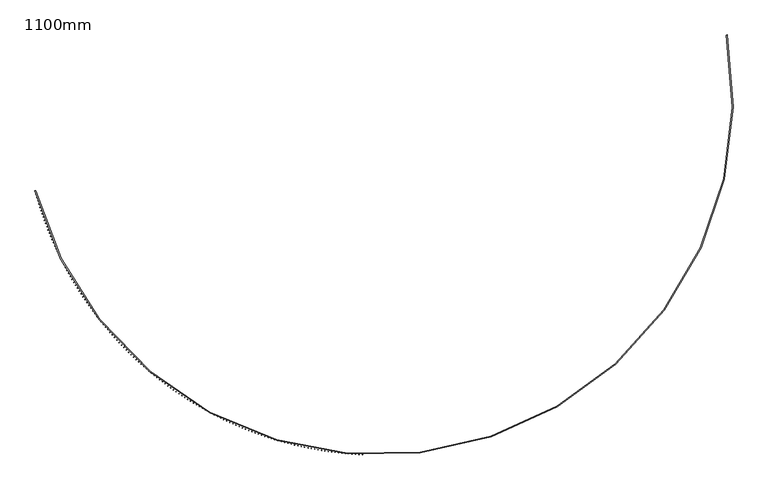
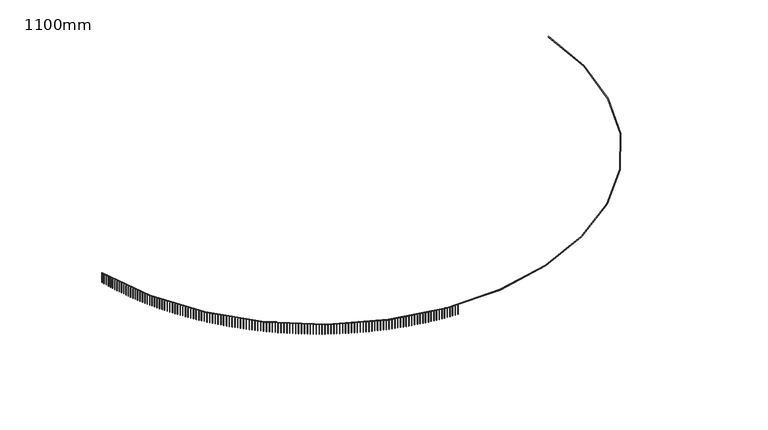
"""IFC4 building model written with IfcOpenShell, lengths in millimetres: railing geometry, 1100mm."""

from ifc_helpers import new_model, si_unit, point, frame, frame_2d, origin, place, context, project, spatial, polyline, circle_curve, trimmed, segment, composite_curve, outline, extrude, source, transform, mapped, element, save


def railing_1100mm_193ac002(model_context):
    return source(origin(), model_context, "Body", "SweptSolid", [
        extrude(outline(composite_curve([segment(trimmed(circle_curve(frame_2d((-9136.8690583, -54154.7608855)), 28388.8165606), [point((-36585.4829825, -61400.3457034))], [point((18767.7276518, -48933.8042532))], True, "CARTESIAN"), True, "CONTINUOUS"), segment(polyline([(18767.7276518, -48933.8042532), (18816.8748162, -48924.6088071)]), True, "CONTINUOUS"), segment(trimmed(circle_curve(frame_2d((-9136.8690583, -54154.7608855)), 28438.8165606), [point((18816.8748162, -48924.6088071))], [point((-36633.8270441, -61413.1070399))], False, "CARTESIAN"), True, "CONTINUOUS"), segment(polyline([(-36633.8270441, -61413.1070399), (-36585.4829825, -61400.3457034)]), True, "CONTINUOUS")], self_intersect=False)), frame((0.0, 0.0, 27650.0), z_axis=(0.0, 0.0, 1.0), x_axis=(1.0, 0.0, 0.0)), (0.0, 0.0, 1.0), 50.0),
        extrude(outline(polyline([(-36591.3081731, -61427.223434), (-36615.4775056, -61433.6143155), (-36621.8683871, -61409.444983), (-36597.6990545, -61403.0541015), (-36591.3081731, -61427.223434)])), frame((0.0, 0.0, 26600.0), z_axis=(0.0, 0.0, 1.0), x_axis=(1.0, 0.0, 0.0)), (0.0, 0.0, 1.0), 1050.0),
        extrude(outline(polyline([(-36519.6377071, -61692.593449), (-36543.7440551, -61699.2179477), (-36550.3685538, -61675.1115996), (-36526.2622058, -61668.4871009), (-36519.6377071, -61692.593449)])), frame((0.0, 0.0, 26600.0), z_axis=(0.0, 0.0, 1.0), x_axis=(1.0, 0.0, 0.0)), (0.0, 0.0, 1.0), 1050.0),
        extrude(outline(polyline([(-36445.4022833, -61957.2573914), (-36469.4433889, -61964.1148868), (-36476.3008843, -61940.0737813), (-36452.2597788, -61933.2162858), (-36445.4022833, -61957.2573914)])), frame((0.0, 0.0, 26600.0), z_axis=(0.0, 0.0, 1.0), x_axis=(1.0, 0.0, 0.0)), (0.0, 0.0, 1.0), 1050.0),
        extrude(outline(polyline([(-36368.6088556, -62221.19047), (-36392.5824667, -62228.2803198), (-36399.6723165, -62204.3067087), (-36375.6987054, -62197.2168589), (-36368.6088556, -62221.19047)])), frame((0.0, 0.0, 26600.0), z_axis=(0.0, 0.0, 1.0), x_axis=(1.0, 0.0, 0.0)), (0.0, 0.0, 1.0), 1050.0),
        extrude(outline(polyline([(-36289.264617, -62484.3679621), (-36313.1684881, -62491.6895022), (-36320.4900282, -62467.7856312), (-36296.5861571, -62460.4640911), (-36289.264617, -62484.3679621)])), frame((0.0, 0.0, 26600.0), z_axis=(0.0, 0.0, 1.0), x_axis=(1.0, 0.0, 0.0)), (0.0, 0.0, 1.0), 1050.0),
        extrude(outline(polyline([(-36207.3769999, -62746.7652157), (-36231.2088918, -62754.3177603), (-36238.7614364, -62730.4858684), (-36214.9295445, -62722.9333238), (-36207.3769999, -62746.7652157)])), frame((0.0, 0.0, 26600.0), z_axis=(0.0, 0.0, 1.0), x_axis=(1.0, 0.0, 0.0)), (0.0, 0.0, 1.0), 1050.0),
        extrude(outline(polyline([(-36122.9536747, -63008.357652), (-36146.7113551, -63016.1404936), (-36154.4941967, -62992.3828132), (-36130.7365163, -62984.5999716), (-36122.9536747, -63008.357652)])), frame((0.0, 0.0, 26600.0), z_axis=(0.0, 0.0, 1.0), x_axis=(1.0, 0.0, 0.0)), (0.0, 0.0, 1.0), 1050.0),
        extrude(outline(polyline([(-36036.0025494, -63269.1207673), (-36059.6837929, -63277.1331769), (-36067.6962025, -63253.4519335), (-36044.014959, -63245.4395239), (-36036.0025494, -63269.1207673)])), frame((0.0, 0.0, 26600.0), z_axis=(0.0, 0.0, 1.0), x_axis=(1.0, 0.0, 0.0)), (0.0, 0.0, 1.0), 1050.0),
        extrude(outline(polyline([(-35946.5317687, -63529.030136), (-35970.1343571, -63537.2713631), (-35978.3755841, -63513.6687748), (-35954.7729958, -63505.4275477), (-35946.5317687, -63529.030136)])), frame((0.0, 0.0, 26600.0), z_axis=(0.0, 0.0, 1.0), x_axis=(1.0, 0.0, 0.0)), (0.0, 0.0, 1.0), 1050.0),
        extrude(outline(polyline([(-35854.5497134, -63788.0614122), (-35878.0714358, -63796.5306848), (-35886.5407084, -63773.0089625), (-35863.018986, -63764.5396899), (-35854.5497134, -63788.0614122)])), frame((0.0, 0.0, 26600.0), z_axis=(0.0, 0.0, 1.0), x_axis=(1.0, 0.0, 0.0)), (0.0, 0.0, 1.0), 1050.0),
        extrude(outline(polyline([(-35760.0649996, -64046.1903323), (-35783.5036526, -64054.8868571), (-35792.2001774, -64031.448204), (-35768.7615243, -64022.7516793), (-35760.0649996, -64046.1903323)])), frame((0.0, 0.0, 26600.0), z_axis=(0.0, 0.0, 1.0), x_axis=(1.0, 0.0, 0.0)), (0.0, 0.0, 1.0), 1050.0),
        extrude(outline(polyline([(-35663.0864775, -64303.3927172), (-35686.4398658, -64312.3156796), (-35695.3628281, -64288.9622913), (-35672.0094399, -64280.039329), (-35663.0864775, -64303.3927172)])), frame((0.0, 0.0, 26600.0), z_axis=(0.0, 0.0, 1.0), x_axis=(1.0, 0.0, 0.0)), (0.0, 0.0, 1.0), 1050.0),
        extrude(outline(polyline([(-35563.6232314, -64559.6444747), (-35586.8891673, -64568.7930388), (-35596.0377314, -64545.5271029), (-35572.7717955, -64536.3785387), (-35563.6232314, -64559.6444747)])), frame((0.0, 0.0, 26600.0), z_axis=(0.0, 0.0, 1.0), x_axis=(1.0, 0.0, 0.0)), (0.0, 0.0, 1.0), 1050.0),
        extrude(outline(polyline([(-35461.6845778, -64814.9216014), (-35484.8608821, -64824.2949104), (-35494.234191, -64801.1186061), (-35471.0578868, -64791.7452972), (-35461.6845778, -64814.9216014)])), frame((0.0, 0.0, 26600.0), z_axis=(0.0, 0.0, 1.0), x_axis=(1.0, 0.0, 0.0)), (0.0, 0.0, 1.0), 1050.0),
        extrude(outline(polyline([(-35357.2800656, -65069.2001856), (-35380.3645673, -65078.7973613), (-35389.961743, -65055.7128597), (-35366.8772413, -65046.1156839), (-35357.2800656, -65069.2001856)])), frame((0.0, 0.0, 26600.0), z_axis=(0.0, 0.0, 1.0), x_axis=(1.0, 0.0, 0.0)), (0.0, 0.0, 1.0), 1050.0),
        extrude(outline(polyline([(-35250.4194743, -65322.4564087), (-35273.410011, -65332.2765523), (-35283.2301546, -65309.2860156), (-35260.2396179, -65299.465872), (-35250.4194743, -65322.4564087)])), frame((0.0, 0.0, 26600.0), z_axis=(0.0, 0.0, 1.0), x_axis=(1.0, 0.0, 0.0)), (0.0, 0.0, 1.0), 1050.0),
        extrude(outline(polyline([(-35141.1128135, -65574.6665482), (-35164.0072318, -65584.7087398), (-35174.0494234, -65561.8143215), (-35151.1550051, -65551.7721299), (-35141.1128135, -65574.6665482)])), frame((0.0, 0.0, 26600.0), z_axis=(0.0, 0.0, 1.0), x_axis=(1.0, 0.0, 0.0)), (0.0, 0.0, 1.0), 1050.0),
        extrude(outline(polyline([(-35029.3703222, -65825.8069794), (-35052.1664775, -65836.0702783), (-35062.4297764, -65813.274123), (-35039.6336211, -65803.0108241), (-35029.3703222, -65825.8069794)])), frame((0.0, 0.0, 26600.0), z_axis=(0.0, 0.0, 1.0), x_axis=(1.0, 0.0, 0.0)), (0.0, 0.0, 1.0), 1050.0),
        extrude(outline(polyline([(-34915.2024673, -66075.8541778), (-34937.8982242, -66086.3376226), (-34948.3816691, -66063.6418657), (-34925.6859121, -66053.1584208), (-34915.2024673, -66075.8541778)])), frame((0.0, 0.0, 26600.0), z_axis=(0.0, 0.0, 1.0), x_axis=(1.0, 0.0, 0.0)), (0.0, 0.0, 1.0), 1050.0),
        extrude(outline(polyline([(-34798.6199429, -66324.7847214), (-34821.2131756, -66335.4873302), (-34831.9157844, -66312.8940975), (-34809.3225517, -66302.1914887), (-34798.6199429, -66324.7847214)])), frame((0.0, 0.0, 26600.0), z_axis=(0.0, 0.0, 1.0), x_axis=(1.0, 0.0, 0.0)), (0.0, 0.0, 1.0), 1050.0),
        extrude(outline(polyline([(-34679.6336693, -66572.5752928), (-34702.1222615, -66583.496063), (-34713.0430317, -66561.0074709), (-34690.5544396, -66550.0867006), (-34679.6336693, -66572.5752928)])), frame((0.0, 0.0, 26600.0), z_axis=(0.0, 0.0, 1.0), x_axis=(1.0, 0.0, 0.0)), (0.0, 0.0, 1.0), 1050.0),
        extrude(outline(polyline([(-34558.2547922, -66819.2026812), (-34580.6366373, -66830.3405899), (-34591.774546, -66807.9587449), (-34569.3927009, -66796.8208361), (-34558.2547922, -66819.2026812)])), frame((0.0, 0.0, 26600.0), z_axis=(0.0, 0.0, 1.0), x_axis=(1.0, 0.0, 0.0)), (0.0, 0.0, 1.0), 1050.0),
        extrude(outline(polyline([(-34434.4946811, -67064.643785), (-34456.7676825, -67075.9977889), (-34468.1216865, -67053.7247874), (-34445.848685, -67042.3707835), (-34434.4946811, -67064.643785)])), frame((0.0, 0.0, 26600.0), z_axis=(0.0, 0.0, 1.0), x_axis=(1.0, 0.0, 0.0)), (0.0, 0.0, 1.0), 1050.0),
        extrude(outline(polyline([(-34308.3649286, -67308.8756136), (-34330.5270002, -67320.4446491), (-34342.0960358, -67298.2825776), (-34319.9339642, -67286.713542), (-34308.3649286, -67308.8756136)])), frame((0.0, 0.0, 26600.0), z_axis=(0.0, 0.0, 1.0), x_axis=(1.0, 0.0, 0.0)), (0.0, 0.0, 1.0), 1050.0),
        extrude(outline(polyline([(-34179.8773495, -67551.8752896), (-34201.9264152, -67563.6582732), (-34213.7093987, -67541.6092075), (-34191.6603331, -67529.8262239), (-34179.8773495, -67551.8752896)])), frame((0.0, 0.0, 26600.0), z_axis=(0.0, 0.0, 1.0), x_axis=(1.0, 0.0, 0.0)), (0.0, 0.0, 1.0), 1050.0),
        extrude(outline(polyline([(-34049.0439792, -67793.6200511), (-34070.9779736, -67805.615879), (-34082.9738015, -67783.6818845), (-34061.039807, -67771.6860567), (-34049.0439792, -67793.6200511)])), frame((0.0, 0.0, 26600.0), z_axis=(0.0, 0.0, 1.0), x_axis=(1.0, 0.0, 0.0)), (0.0, 0.0, 1.0), 1050.0),
        extrude(outline(polyline([(-33915.8770729, -68034.0872539), (-33937.6939416, -68046.2948024), (-33949.9014901, -68024.4779337), (-33928.0846213, -68012.2703852), (-33915.8770729, -68034.0872539)])), frame((0.0, 0.0, 26600.0), z_axis=(0.0, 0.0, 1.0), x_axis=(1.0, 0.0, 0.0)), (0.0, 0.0, 1.0), 1050.0),
        extrude(outline(polyline([(-33780.3891045, -68273.2543732), (-33802.0868038, -68285.6724988), (-33814.5049294, -68263.9747995), (-33792.80723, -68251.5566739), (-33780.3891045, -68273.2543732)])), frame((0.0, 0.0, 26600.0), z_axis=(0.0, 0.0, 1.0), x_axis=(1.0, 0.0, 0.0)), (0.0, 0.0, 1.0), 1050.0),
        extrude(outline(polyline([(-33642.5927651, -68511.0990061), (-33664.1692626, -68523.7265456), (-33676.7968021, -68502.1500481), (-33655.2203046, -68489.5225086), (-33642.5927651, -68511.0990061)])), frame((0.0, 0.0, 26600.0), z_axis=(0.0, 0.0, 1.0), x_axis=(1.0, 0.0, 0.0)), (0.0, 0.0, 1.0), 1050.0),
        extrude(outline(polyline([(-33502.5009623, -68747.5988736), (-33523.9542369, -68760.4346442), (-33536.7900075, -68738.9813695), (-33515.3367329, -68726.1455989), (-33502.5009623, -68747.5988736)])), frame((0.0, 0.0, 26600.0), z_axis=(0.0, 0.0, 1.0), x_axis=(1.0, 0.0, 0.0)), (0.0, 0.0, 1.0), 1050.0),
        extrude(outline(polyline([(-33360.1268185, -68982.7318226), (-33381.4548607, -68995.7746219), (-33394.49766, -68974.4465797), (-33373.1696178, -68961.4037804), (-33360.1268185, -68982.7318226)])), frame((0.0, 0.0, 26600.0), z_axis=(0.0, 0.0, 1.0), x_axis=(1.0, 0.0, 0.0)), (0.0, 0.0, 1.0), 1050.0),
        extrude(outline(polyline([(-33215.4836699, -69216.4758281), (-33236.6844819, -69229.7244345), (-33249.9330883, -69208.5236225), (-33228.7322763, -69195.2750161), (-33215.4836699, -69216.4758281)])), frame((0.0, 0.0, 26600.0), z_axis=(0.0, 0.0, 1.0), x_axis=(1.0, 0.0, 0.0)), (0.0, 0.0, 1.0), 1050.0),
        extrude(outline(polyline([(-33068.5850654, -69448.8089952), (-33089.6566613, -69462.2621676), (-33103.1098337, -69441.1905717), (-33082.0382378, -69427.7373993), (-33068.5850654, -69448.8089952)])), frame((0.0, 0.0, 26600.0), z_axis=(0.0, 0.0, 1.0), x_axis=(1.0, 0.0, 0.0)), (0.0, 0.0, 1.0), 1050.0),
        extrude(outline(polyline([(-32919.444765, -69679.7095611), (-32940.385171, -69693.3660394), (-32954.0416492, -69672.4256334), (-32933.1012433, -69658.7691552), (-32919.444765, -69679.7095611)])), frame((0.0, 0.0, 26600.0), z_axis=(0.0, 0.0, 1.0), x_axis=(1.0, 0.0, 0.0)), (0.0, 0.0, 1.0), 1050.0),
        extrude(outline(polyline([(-32768.0767388, -69909.1558973), (-32788.8839934, -69923.0144022), (-32802.7424983, -69902.2071476), (-32781.9352437, -69888.3486427), (-32768.0767388, -69909.1558973)])), frame((0.0, 0.0, 26600.0), z_axis=(0.0, 0.0, 1.0), x_axis=(1.0, 0.0, 0.0)), (0.0, 0.0, 1.0), 1050.0),
        extrude(outline(polyline([(-32614.4951655, -70137.1265113), (-32635.1673196, -70151.1857448), (-32649.226553, -70130.5135906), (-32628.5543989, -70116.4543572), (-32614.4951655, -70137.1265113)])), frame((0.0, 0.0, 26600.0), z_axis=(0.0, 0.0, 1.0), x_axis=(1.0, 0.0, 0.0)), (0.0, 0.0, 1.0), 1050.0),
        extrude(outline(polyline([(-32458.7144311, -70363.6000492), (-32479.2495484, -70377.8586942), (-32493.5081934, -70357.3235769), (-32472.9730761, -70343.0649319), (-32458.7144311, -70363.6000492)])), frame((0.0, 0.0, 26600.0), z_axis=(0.0, 0.0, 1.0), x_axis=(1.0, 0.0, 0.0)), (0.0, 0.0, 1.0), 1050.0),
        extrude(outline(polyline([(-32300.7491278, -70588.5552969), (-32321.1452847, -70603.0120178), (-32335.6020057, -70582.6158609), (-32315.2058487, -70568.1591399), (-32300.7491278, -70588.5552969)])), frame((0.0, 0.0, 26600.0), z_axis=(0.0, 0.0, 1.0), x_axis=(1.0, 0.0, 0.0)), (0.0, 0.0, 1.0), 1050.0),
        extrude(outline(polyline([(-32140.6140521, -70811.9711828), (-32160.8693382, -70826.6246255), (-32175.522781, -70806.3693394), (-32155.2674948, -70791.7158967), (-32140.6140521, -70811.9711828)])), frame((0.0, 0.0, 26600.0), z_axis=(0.0, 0.0, 1.0), x_axis=(1.0, 0.0, 0.0)), (0.0, 0.0, 1.0), 1050.0),
        extrude(outline(polyline([(-31978.3242041, -71033.8267794), (-31998.436722, -71048.6755714), (-32013.2855139, -71028.5630535), (-31993.172996, -71013.7142615), (-31978.3242041, -71033.8267794)])), frame((0.0, 0.0, 26600.0), z_axis=(0.0, 0.0, 1.0), x_axis=(1.0, 0.0, 0.0)), (0.0, 0.0, 1.0), 1050.0),
        extrude(outline(polyline([(-31813.8947854, -71254.1013055), (-31833.8626512, -71269.1440558), (-31848.9054015, -71249.17619), (-31828.9375357, -71234.1334397), (-31813.8947854, -71254.1013055)])), frame((0.0, 0.0, 26600.0), z_axis=(0.0, 0.0, 1.0), x_axis=(1.0, 0.0, 0.0)), (0.0, 0.0, 1.0), 1050.0),
        extrude(outline(polyline([(-31647.3411984, -71472.7741277), (-31667.1625417, -71488.0094272), (-31682.3978412, -71468.188084), (-31662.5764979, -71452.9527845), (-31647.3411984, -71472.7741277)])), frame((0.0, 0.0, 26600.0), z_axis=(0.0, 0.0, 1.0), x_axis=(1.0, 0.0, 0.0)), (0.0, 0.0, 1.0), 1050.0),
        extrude(outline(polyline([(-31478.6790441, -71689.8247629), (-31498.3520082, -71705.2511846), (-31513.7784298, -71685.5782205), (-31494.1054658, -71670.1517989), (-31478.6790441, -71689.8247629)])), frame((0.0, 0.0, 26600.0), z_axis=(0.0, 0.0, 1.0), x_axis=(1.0, 0.0, 0.0)), (0.0, 0.0, 1.0), 1050.0),
        extrude(outline(polyline([(-31307.9241212, -71905.2328799), (-31327.4468633, -71920.8489787), (-31343.0629621, -71901.3262366), (-31323.54022, -71885.7101378), (-31307.9241212, -71905.2328799)])), frame((0.0, 0.0, 26600.0), z_axis=(0.0, 0.0, 1.0), x_axis=(1.0, 0.0, 0.0)), (0.0, 0.0, 1.0), 1050.0),
        extrude(outline(polyline([(-31135.0924245, -72118.9783012), (-31154.4631159, -72134.7826144), (-31170.267429, -72115.411923), (-31150.8967377, -72099.6076098), (-31135.0924245, -72118.9783012)])), frame((0.0, 0.0, 26600.0), z_axis=(0.0, 0.0, 1.0), x_axis=(1.0, 0.0, 0.0)), (0.0, 0.0, 1.0), 1050.0),
        extrude(outline(polyline([(-30960.2001431, -72331.0410053), (-30979.4169693, -72347.0320524), (-30995.4080165, -72327.8152262), (-30976.1911902, -72311.824179), (-30960.2001431, -72331.0410053)])), frame((0.0, 0.0, 26600.0), z_axis=(0.0, 0.0, 1.0), x_axis=(1.0, 0.0, 0.0)), (0.0, 0.0, 1.0), 1050.0),
        extrude(outline(polyline([(-30783.2636593, -72541.401128), (-30802.3248203, -72557.5774112), (-30818.5011036, -72538.5162502), (-30799.4399425, -72522.339967), (-30783.2636593, -72541.401128)])), frame((0.0, 0.0, 26600.0), z_axis=(0.0, 0.0, 1.0), x_axis=(1.0, 0.0, 0.0)), (0.0, 0.0, 1.0), 1050.0),
        extrude(outline(polyline([(-30604.2995468, -72750.0389649), (-30623.2032571, -72766.398969), (-30639.5632613, -72747.4952586), (-30620.6595509, -72731.1352545), (-30604.2995468, -72750.0389649)])), frame((0.0, 0.0, 26600.0), z_axis=(0.0, 0.0, 1.0), x_axis=(1.0, 0.0, 0.0)), (0.0, 0.0, 1.0), 1050.0),
        extrude(outline(polyline([(-30423.3245693, -72956.9349727), (-30442.0690583, -72973.4771652), (-30458.6112508, -72954.7326762), (-30439.8667618, -72938.1904837), (-30423.3245693, -72956.9349727)])), frame((0.0, 0.0, 26600.0), z_axis=(0.0, 0.0, 1.0), x_axis=(1.0, 0.0, 0.0)), (0.0, 0.0, 1.0), 1050.0),
        extrude(outline(polyline([(-30240.3556788, -73162.0697714), (-30258.9391906, -73178.7926028), (-30275.662022, -73160.2090911), (-30257.0785102, -73143.4862597), (-30240.3556788, -73162.0697714)])), frame((0.0, 0.0, 26600.0), z_axis=(0.0, 0.0, 1.0), x_axis=(1.0, 0.0, 0.0)), (0.0, 0.0, 1.0), 1050.0),
        extrude(outline(polyline([(-30055.4100141, -73365.424146), (-30073.830808, -73382.3260498), (-30090.7327118, -73363.905256), (-30072.3119179, -73347.0033521), (-30055.4100141, -73365.424146)])), frame((0.0, 0.0, 26600.0), z_axis=(0.0, 0.0, 1.0), x_axis=(1.0, 0.0, 0.0)), (0.0, 0.0, 1.0), 1050.0),
        extrude(outline(polyline([(-29868.5048991, -73566.979048), (-29886.7612496, -73584.0584411), (-29903.8406427, -73565.8020907), (-29885.5842922, -73548.7226976), (-29868.5048991, -73566.979048)])), frame((0.0, 0.0, 26600.0), z_axis=(0.0, 0.0, 1.0), x_axis=(1.0, 0.0, 0.0)), (0.0, 0.0, 1.0), 1050.0),
        extrude(outline(polyline([(-29679.6578414, -73766.7155978), (-29697.7480384, -73783.9708803), (-29715.0033209, -73765.8806834), (-29696.9131239, -73748.6254009), (-29679.6578414, -73766.7155978)])), frame((0.0, 0.0, 26600.0), z_axis=(0.0, 0.0, 1.0), x_axis=(1.0, 0.0, 0.0)), (0.0, 0.0, 1.0), 1050.0),
        extrude(outline(polyline([(-29488.8865303, -73964.615086), (-29506.8088793, -73982.0446416), (-29524.2384349, -73964.1222926), (-29506.3160859, -73946.692737), (-29488.8865303, -73964.615086)])), frame((0.0, 0.0, 26600.0), z_axis=(0.0, 0.0, 1.0), x_axis=(1.0, 0.0, 0.0)), (0.0, 0.0, 1.0), 1050.0),
        extrude(outline(polyline([(-29296.2088356, -74160.6589751), (-29313.9616577, -74178.2611712), (-29331.5638537, -74160.508349), (-29313.8110316, -74142.906153), (-29296.2088356, -74160.6589751)])), frame((0.0, 0.0, 26600.0), z_axis=(0.0, 0.0, 1.0), x_axis=(1.0, 0.0, 0.0)), (0.0, 0.0, 1.0), 1050.0),
        extrude(outline(polyline([(-29101.6428053, -74354.8289017), (-29119.2244377, -74372.6020894), (-29136.9976254, -74355.020457), (-29119.415993, -74337.2472693), (-29101.6428053, -74354.8289017)])), frame((0.0, 0.0, 26600.0), z_axis=(0.0, 0.0, 1.0), x_axis=(1.0, 0.0, 0.0)), (0.0, 0.0, 1.0), 1050.0),
        extrude(outline(polyline([(-28905.2066646, -74547.1066778), (-28922.6154604, -74565.0491923), (-28940.5579749, -74547.6403965), (-28923.1491791, -74529.6978819), (-28905.2066646, -74547.1066778)])), frame((0.0, 0.0, 26600.0), z_axis=(0.0, 0.0, 1.0), x_axis=(1.0, 0.0, 0.0)), (0.0, 0.0, 1.0), 1050.0),
        extrude(outline(polyline([(-28706.9188137, -74737.4742925), (-28724.1531423, -74755.5844532), (-28742.263303, -74738.3501247), (-28725.0289744, -74720.239964), (-28706.9188137, -74737.4742925)])), frame((0.0, 0.0, 26600.0), z_axis=(0.0, 0.0, 1.0), x_axis=(1.0, 0.0, 0.0)), (0.0, 0.0, 1.0), 1050.0),
        extrude(outline(polyline([(-28506.7978265, -74925.9139142), (-28523.8560734, -74944.1900246), (-28542.1321838, -74927.1317777), (-28525.0739369, -74908.8556673), (-28506.7978265, -74925.9139142)])), frame((0.0, 0.0, 26600.0), z_axis=(0.0, 0.0, 1.0), x_axis=(1.0, 0.0, 0.0)), (0.0, 0.0, 1.0), 1050.0),
        extrude(outline(polyline([(-28304.8624483, -75112.4078915), (-28321.7430157, -75130.8482397), (-28340.183364, -75113.9676723), (-28323.3027966, -75095.5273241), (-28304.8624483, -75112.4078915)])), frame((0.0, 0.0, 26600.0), z_axis=(0.0, 0.0, 1.0), x_axis=(1.0, 0.0, 0.0)), (0.0, 0.0, 1.0), 1050.0),
        extrude(outline(polyline([(-28101.1315945, -75296.9387554), (-28117.8329012, -75315.5416142), (-28136.43576, -75298.8403075), (-28119.7344533, -75280.2374487), (-28101.1315945, -75296.9387554)])), frame((0.0, 0.0, 26600.0), z_axis=(0.0, 0.0, 1.0), x_axis=(1.0, 0.0, 0.0)), (0.0, 0.0, 1.0), 1050.0),
        extrude(outline(polyline([(-27895.6243487, -75479.489221), (-27912.1448303, -75498.2528477), (-27930.908457, -75481.7323661), (-27914.3879754, -75462.9687394), (-27895.6243487, -75479.489221)])), frame((0.0, 0.0, 26600.0), z_axis=(0.0, 0.0, 1.0), x_axis=(1.0, 0.0, 0.0)), (0.0, 0.0, 1.0), 1050.0),
        extrude(outline(polyline([(-27688.3599609, -75660.0421884), (-27704.6980699, -75678.9648255), (-27723.6207069, -75662.6267165), (-27707.282598, -75643.7040795), (-27688.3599609, -75660.0421884)])), frame((0.0, 0.0, 26600.0), z_axis=(0.0, 0.0, 1.0), x_axis=(1.0, 0.0, 0.0)), (0.0, 0.0, 1.0), 1050.0),
        extrude(outline(polyline([(-27479.3578455, -75838.5807454), (-27495.5120515, -75857.6606204), (-27514.5919265, -75841.5064144), (-27498.4377205, -75822.4265394), (-27479.3578455, -75838.5807454)])), frame((0.0, 0.0, 26600.0), z_axis=(0.0, 0.0, 1.0), x_axis=(1.0, 0.0, 0.0)), (0.0, 0.0, 1.0), 1050.0),
        extrude(outline(polyline([(-27268.63758, -76015.0881681), (-27284.6063699, -76034.3234937), (-27303.8416955, -76018.3547039), (-27287.8729057, -75999.1193782), (-27268.63758, -76015.0881681)])), frame((0.0, 0.0, 26600.0), z_axis=(0.0, 0.0, 1.0), x_axis=(1.0, 0.0, 0.0)), (0.0, 0.0, 1.0), 1050.0),
        extrude(outline(polyline([(-27056.2189027, -76189.5479229), (-27072.0007805, -76208.9368974), (-27091.389755, -76193.1550195), (-27075.6078772, -76173.766045), (-27056.2189027, -76189.5479229)])), frame((0.0, 0.0, 26600.0), z_axis=(0.0, 0.0, 1.0), x_axis=(1.0, 0.0, 0.0)), (0.0, 0.0, 1.0), 1050.0),
        extrude(outline(polyline([(-26842.1217108, -76361.9436681), (-26857.7151983, -76381.4844753), (-26877.2560055, -76365.8909877), (-26861.662518, -76346.3501805), (-26842.1217108, -76361.9436681)])), frame((0.0, 0.0, 26600.0), z_axis=(0.0, 0.0, 1.0), x_axis=(1.0, 0.0, 0.0)), (0.0, 0.0, 1.0), 1050.0),
        extrude(outline(polyline([(-26626.366059, -76532.2592553), (-26641.7696956, -76551.9500648), (-26661.4605051, -76536.5464281), (-26646.0568685, -76516.8556187), (-26626.366059, -76532.2592553)])), frame((0.0, 0.0, 26600.0), z_axis=(0.0, 0.0, 1.0), x_axis=(1.0, 0.0, 0.0)), (0.0, 0.0, 1.0), 1050.0),
        extrude(outline(polyline([(-26408.9721572, -76700.478731), (-26424.1845, -76720.3176983), (-26444.0234674, -76705.1053555), (-26428.8111245, -76685.2663881), (-26408.9721572, -76700.478731)])), frame((0.0, 0.0, 26600.0), z_axis=(0.0, 0.0, 1.0), x_axis=(1.0, 0.0, 0.0)), (0.0, 0.0, 1.0), 1050.0),
        extrude(outline(polyline([(-26189.9603688, -76866.5863379), (-26204.9799929, -76886.5716048), (-26224.9652598, -76871.5519807), (-26209.9456357, -76851.5667138), (-26189.9603688, -76866.5863379)])), frame((0.0, 0.0, 26600.0), z_axis=(0.0, 0.0, 1.0), x_axis=(1.0, 0.0, 0.0)), (0.0, 0.0, 1.0), 1050.0),
        extrude(outline(polyline([(-25969.3512088, -77030.5665168), (-25984.1767073, -77050.6962111), (-26004.3064016, -77035.8707127), (-25989.4809032, -77015.7410183), (-25969.3512088, -77030.5665168)])), frame((0.0, 0.0, 26600.0), z_axis=(0.0, 0.0, 1.0), x_axis=(1.0, 0.0, 0.0)), (0.0, 0.0, 1.0), 1050.0),
        extrude(outline(polyline([(-25747.1653417, -77192.4039074), (-25761.7953258, -77212.6761437), (-25782.0675621, -77198.0461596), (-25767.437578, -77177.7739233), (-25747.1653417, -77192.4039074)])), frame((0.0, 0.0, 26600.0), z_axis=(0.0, 0.0, 1.0), x_axis=(1.0, 0.0, 0.0)), (0.0, 0.0, 1.0), 1050.0),
        extrude(outline(polyline([(-25523.4235798, -77352.0833504), (-25537.8566792, -77372.4962297), (-25558.2695585, -77358.0631304), (-25543.8364591, -77337.650251), (-25523.4235798, -77352.0833504)])), frame((0.0, 0.0, 26600.0), z_axis=(0.0, 0.0, 1.0), x_axis=(1.0, 0.0, 0.0)), (0.0, 0.0, 1.0), 1050.0),
        extrude(outline(polyline([(-25298.1468811, -77509.5898885), (-25312.3817438, -77530.1414988), (-25332.933354, -77515.9066362), (-25318.6984914, -77495.3550259), (-25298.1468811, -77509.5898885)])), frame((0.0, 0.0, 26600.0), z_axis=(0.0, 0.0, 1.0), x_axis=(1.0, 0.0, 0.0)), (0.0, 0.0, 1.0), 1050.0),
        extrude(outline(polyline([(-25071.3563474, -77664.9087681), (-25085.3916399, -77685.5971842), (-25106.0800561, -77671.5618917), (-25092.0447635, -77650.8734755), (-25071.3563474, -77664.9087681)])), frame((0.0, 0.0, 26600.0), z_axis=(0.0, 0.0, 1.0), x_axis=(1.0, 0.0, 0.0)), (0.0, 0.0, 1.0), 1050.0),
        extrude(outline(polyline([(-24843.0732222, -77818.0254403), (-24856.90763, -77838.8487244), (-24877.7309141, -77825.0143166), (-24863.8965063, -77804.1910325), (-24843.0732222, -77818.0254403)])), frame((0.0, 0.0, 26600.0), z_axis=(0.0, 0.0, 1.0), x_axis=(1.0, 0.0, 0.0)), (0.0, 0.0, 1.0), 1050.0),
        extrude(outline(polyline([(-24613.318889, -77968.9255625), (-24626.9511161, -77989.8817641), (-24647.9073176, -77976.249537), (-24634.2750905, -77955.2933354), (-24613.318889, -77968.9255625)])), frame((0.0, 0.0, 26600.0), z_axis=(0.0, 0.0, 1.0), x_axis=(1.0, 0.0, 0.0)), (0.0, 0.0, 1.0), 1050.0),
        extrude(outline(polyline([(-24382.1148689, -78117.595), (-24395.5436384, -78138.6821561), (-24416.6307944, -78125.2533865), (-24403.2020249, -78104.1662305), (-24382.1148689, -78117.595)])), frame((0.0, 0.0, 26600.0), z_axis=(0.0, 0.0, 1.0), x_axis=(1.0, 0.0, 0.0)), (0.0, 0.0, 1.0), 1050.0),
        extrude(outline(polyline([(-24149.482819, -78264.0198268), (-24162.7068731, -78285.235962), (-24183.9230083, -78272.011908), (-24170.6989542, -78250.7957727), (-24149.482819, -78264.0198268)])), frame((0.0, 0.0, 26600.0), z_axis=(0.0, 0.0, 1.0), x_axis=(1.0, 0.0, 0.0)), (0.0, 0.0, 1.0), 1050.0),
        extrude(outline(polyline([(-23915.44453, -78408.1863272), (-23928.4626299, -78429.5294543), (-23949.805757, -78416.5113544), (-23936.7876571, -78395.1682273), (-23915.44453, -78408.1863272)])), frame((0.0, 0.0, 26600.0), z_axis=(0.0, 0.0, 1.0), x_axis=(1.0, 0.0, 0.0)), (0.0, 0.0, 1.0), 1050.0),
        extrude(outline(polyline([(-23680.0219244, -78550.0809969), (-23692.8328507, -78571.5491167), (-23714.3009705, -78558.7381904), (-23701.4900442, -78537.2700706), (-23680.0219244, -78550.0809969)])), frame((0.0, 0.0, 26600.0), z_axis=(0.0, 0.0, 1.0), x_axis=(1.0, 0.0, 0.0)), (0.0, 0.0, 1.0), 1050.0),
        extrude(outline(polyline([(-23443.2370544, -78689.6905448), (-23455.8396071, -78711.2816463), (-23477.4307086, -78698.6790937), (-23464.8281559, -78677.0879921), (-23443.2370544, -78689.6905448)])), frame((0.0, 0.0, 26600.0), z_axis=(0.0, 0.0, 1.0), x_axis=(1.0, 0.0, 0.0)), (0.0, 0.0, 1.0), 1050.0),
        extrude(outline(polyline([(-23205.1120996, -78827.0018935), (-23217.5050983, -78848.7139543), (-23239.2171591, -78836.3209557), (-23226.8241605, -78814.6088949), (-23205.1120996, -78827.0018935)])), frame((0.0, 0.0, 26600.0), z_axis=(0.0, 0.0, 1.0), x_axis=(1.0, 0.0, 0.0)), (0.0, 0.0, 1.0), 1050.0),
        extrude(outline(polyline([(-22965.6693655, -78962.0021809), (-22977.8516492, -78983.8331673), (-22999.6826355, -78971.6508836), (-22987.5003518, -78949.8198973), (-22965.6693655, -78962.0021809)])), frame((0.0, 0.0, 26600.0), z_axis=(0.0, 0.0, 1.0), x_axis=(1.0, 0.0, 0.0)), (0.0, 0.0, 1.0), 1050.0),
        extrude(outline(polyline([(-22724.9312807, -79094.6787616), (-22736.9017083, -79116.6266285), (-22758.8495752, -79104.6562009), (-22746.8791476, -79082.708334), (-22724.9312807, -79094.6787616)])), frame((0.0, 0.0, 26600.0), z_axis=(0.0, 0.0, 1.0), x_axis=(1.0, 0.0, 0.0)), (0.0, 0.0, 1.0), 1050.0),
        extrude(outline(polyline([(-22482.9203953, -79225.0192076), (-22494.6778455, -79247.0818993), (-22516.7405372, -79235.324449), (-22504.9830869, -79213.2617573), (-22482.9203953, -79225.0192076)])), frame((0.0, 0.0, 26600.0), z_axis=(0.0, 0.0, 1.0), x_axis=(1.0, 0.0, 0.0)), (0.0, 0.0, 1.0), 1050.0),
        extrude(outline(polyline([(-22239.6593785, -79353.0113099), (-22251.2027501, -79375.1867597), (-22273.3781998, -79363.6433881), (-22261.8348282, -79341.4679383), (-22239.6593785, -79353.0113099)])), frame((0.0, 0.0, 26600.0), z_axis=(0.0, 0.0, 1.0), x_axis=(1.0, 0.0, 0.0)), (0.0, 0.0, 1.0), 1050.0),
        extrude(outline(polyline([(-21995.1710167, -79478.6430794), (-22006.4992284, -79500.9292101), (-22028.7853591, -79489.6009984), (-22017.4571474, -79467.3148678), (-21995.1710167, -79478.6430794)])), frame((0.0, 0.0, 26600.0), z_axis=(0.0, 0.0, 1.0), x_axis=(1.0, 0.0, 0.0)), (0.0, 0.0, 1.0), 1050.0),
        extrude(outline(polyline([(-21749.4782114, -79601.9027482), (-21760.590202, -79624.2974722), (-21782.984926, -79613.1854816), (-21771.8729354, -79590.7907575), (-21749.4782114, -79601.9027482)])), frame((0.0, 0.0, 26600.0), z_axis=(0.0, 0.0, 1.0), x_axis=(1.0, 0.0, 0.0)), (0.0, 0.0, 1.0), 1050.0),
        extrude(outline(polyline([(-21502.6039766, -79722.7787703), (-21513.4987053, -79745.27999), (-21535.9999249, -79734.3852613), (-21525.1051963, -79711.8840416), (-21502.6039766, -79722.7787703)])), frame((0.0, 0.0, 26600.0), z_axis=(0.0, 0.0, 1.0), x_axis=(1.0, 0.0, 0.0)), (0.0, 0.0, 1.0), 1050.0),
        extrude(outline(polyline([(-21254.5714372, -79841.2598233), (-21265.2478834, -79863.8654309), (-21287.853491, -79853.1889847), (-21277.1770448, -79830.5833771), (-21254.5714372, -79841.2598233)])), frame((0.0, 0.0, 26600.0), z_axis=(0.0, 0.0, 1.0), x_axis=(1.0, 0.0, 0.0)), (0.0, 0.0, 1.0), 1050.0),
        extrude(outline(polyline([(-21005.4038265, -79957.3348091), (-21015.8609902, -79980.0426872), (-21038.5688683, -79969.5855234), (-21028.1117045, -79946.8776454), (-21005.4038265, -79957.3348091)])), frame((0.0, 0.0, 26600.0), z_axis=(0.0, 0.0, 1.0), x_axis=(1.0, 0.0, 0.0)), (0.0, 0.0, 1.0), 1050.0),
        extrude(outline(polyline([(-20755.1244842, -80070.9928548), (-20765.3613859, -80093.8008763), (-20788.1694073, -80083.5639745), (-20777.9325056, -80060.7559531), (-20755.1244842, -80070.9928548)])), frame((0.0, 0.0, 26600.0), z_axis=(0.0, 0.0, 1.0), x_axis=(1.0, 0.0, 0.0)), (0.0, 0.0, 1.0), 1050.0),
        extrude(outline(polyline([(-20503.756854, -80182.223314), (-20513.7725348, -80205.1293424), (-20536.6785632, -80195.1136616), (-20526.6628824, -80172.2076332), (-20503.756854, -80182.223314)])), frame((0.0, 0.0, 26600.0), z_axis=(0.0, 0.0, 1.0), x_axis=(1.0, 0.0, 0.0)), (0.0, 0.0, 1.0), 1050.0),
        extrude(outline(polyline([(-20251.3244818, -80291.0157677), (-20261.1180034, -80314.0176574), (-20284.1198932, -80304.2241358), (-20274.3263715, -80281.222246), (-20251.3244818, -80291.0157677)])), frame((0.0, 0.0, 26600.0), z_axis=(0.0, 0.0, 1.0), x_axis=(1.0, 0.0, 0.0)), (0.0, 0.0, 1.0), 1050.0),
        extrude(outline(polyline([(-19997.8510129, -80397.3600252), (-20007.4214581, -80420.4556217), (-20030.5170546, -80410.8851765), (-20020.9466094, -80387.78958), (-19997.8510129, -80397.3600252)])), frame((0.0, 0.0, 26600.0), z_axis=(0.0, 0.0, 1.0), x_axis=(1.0, 0.0, 0.0)), (0.0, 0.0, 1.0), 1050.0),
        extrude(outline(polyline([(-19743.3601904, -80501.2461253), (-19752.7066626, -80524.4332652), (-19775.8938025, -80515.0867929), (-19766.5473303, -80491.899653), (-19743.3601904, -80501.2461253)])), frame((0.0, 0.0, 26600.0), z_axis=(0.0, 0.0, 1.0), x_axis=(1.0, 0.0, 0.0)), (0.0, 0.0, 1.0), 1050.0),
        extrude(outline(polyline([(-19487.8758525, -80602.6643369), (-19496.9974763, -80625.9408482), (-19520.2739876, -80616.8192243), (-19511.1523638, -80593.542713), (-19487.8758525, -80602.6643369)])), frame((0.0, 0.0, 26600.0), z_axis=(0.0, 0.0, 1.0), x_axis=(1.0, 0.0, 0.0)), (0.0, 0.0, 1.0), 1050.0),
        extrude(outline(polyline([(-19231.4219306, -80701.60516), (-19240.3178516, -80724.9688624), (-19263.681554, -80716.0729414), (-19254.785633, -80692.709239), (-19231.4219306, -80701.60516)])), frame((0.0, 0.0, 26600.0), z_axis=(0.0, 0.0, 1.0), x_axis=(1.0, 0.0, 0.0)), (0.0, 0.0, 1.0), 1050.0),
        extrude(outline(polyline([(-18974.0224469, -80798.0593269), (-18982.6918317, -80821.5080319), (-19006.1405367, -80812.838647), (-18997.4711519, -80789.389942), (-18974.0224469, -80798.0593269)])), frame((0.0, 0.0, 26600.0), z_axis=(0.0, 0.0, 1.0), x_axis=(1.0, 0.0, 0.0)), (0.0, 0.0, 1.0), 1050.0),
        extrude(outline(polyline([(-18715.701512, -80892.0178026), (-18724.1435487, -80915.5493137), (-18747.6750598, -80907.1072771), (-18739.2330232, -80883.5757659), (-18715.701512, -80892.0178026)])), frame((0.0, 0.0, 26600.0), z_axis=(0.0, 0.0, 1.0), x_axis=(1.0, 0.0, 0.0)), (0.0, 0.0, 1.0), 1050.0),
        extrude(outline(polyline([(-18456.4833231, -80983.471786), (-18464.6972208, -81007.0838991), (-18488.3093339, -80998.8700014), (-18480.0954362, -80975.2578883), (-18456.4833231, -80983.471786)])), frame((0.0, 0.0, 26600.0), z_axis=(0.0, 0.0, 1.0), x_axis=(1.0, 0.0, 0.0)), (0.0, 0.0, 1.0), 1050.0),
        extrude(outline(polyline([(-18196.3921612, -81072.4127105), (-18204.3771505, -81096.1032138), (-18228.0676538, -81088.1182245), (-18220.0826645, -81064.4277212), (-18196.3921612, -81072.4127105)])), frame((0.0, 0.0, 26600.0), z_axis=(0.0, 0.0, 1.0), x_axis=(1.0, 0.0, 0.0)), (0.0, 0.0, 1.0), 1050.0),
        extrude(outline(polyline([(-17935.4523893, -81158.8322451), (-17943.2077223, -81182.5989194), (-17966.9743966, -81174.8435865), (-17959.2190637, -81151.0769121), (-17935.4523893, -81158.8322451)])), frame((0.0, 0.0, 26600.0), z_axis=(0.0, 0.0, 1.0), x_axis=(1.0, 0.0, 0.0)), (0.0, 0.0, 1.0), 1050.0),
        extrude(outline(polyline([(-17673.6884496, -81242.7222947), (-17681.2133998, -81266.5629139), (-17705.054019, -81259.0379637), (-17697.5290688, -81235.1973445), (-17673.6884496, -81242.7222947)])), frame((0.0, 0.0, 26600.0), z_axis=(0.0, 0.0, 1.0), x_axis=(1.0, 0.0, 0.0)), (0.0, 0.0, 1.0), 1050.0),
        extrude(outline(polyline([(-17411.1248618, -81324.0750013), (-17418.4187243, -81347.9873322), (-17442.3310552, -81340.6934697), (-17435.0371927, -81316.7811388), (-17411.1248618, -81324.0750013)])), frame((0.0, 0.0, 26600.0), z_axis=(0.0, 0.0, 1.0), x_axis=(1.0, 0.0, 0.0)), (0.0, 0.0, 1.0), 1050.0),
        extrude(outline(polyline([(-17147.7862202, -81402.8827446), (-17154.8483119, -81426.8645473), (-17178.8301146, -81419.8024557), (-17171.7680229, -81395.820653), (-17147.7862202, -81402.8827446)])), frame((0.0, 0.0, 26600.0), z_axis=(0.0, 0.0, 1.0), x_axis=(1.0, 0.0, 0.0)), (0.0, 0.0, 1.0), 1050.0),
        extrude(outline(polyline([(-16883.697192, -81479.1381427), (-16890.5268514, -81503.1871708), (-16914.5758795, -81496.3575115), (-16907.7462202, -81472.3084834), (-16883.697192, -81479.1381427)])), frame((0.0, 0.0, 26600.0), z_axis=(0.0, 0.0, 1.0), x_axis=(1.0, 0.0, 0.0)), (0.0, 0.0, 1.0), 1050.0),
        extrude(outline(polyline([(-16618.8825146, -81552.8340525), (-16625.4791018, -81576.9480534), (-16649.5931026, -81570.3514662), (-16642.9965154, -81546.2374653), (-16618.8825146, -81552.8340525)])), frame((0.0, 0.0, 26600.0), z_axis=(0.0, 0.0, 1.0), x_axis=(1.0, 0.0, 0.0)), (0.0, 0.0, 1.0), 1050.0),
        extrude(outline(polyline([(-16353.3669931, -81623.9635711), (-16359.7298903, -81648.1402859), (-16383.9066051, -81641.7773887), (-16377.5437079, -81617.6006739), (-16353.3669931, -81623.9635711)])), frame((0.0, 0.0, 26600.0), z_axis=(0.0, 0.0, 1.0), x_axis=(1.0, 0.0, 0.0)), (0.0, 0.0, 1.0), 1050.0),
        extrude(outline(polyline([(-16087.1754987, -81692.5200356), (-16093.3041099, -81716.7571998), (-16117.541274, -81710.6285886), (-16111.4126628, -81686.3914245), (-16087.1754987, -81692.5200356)])), frame((0.0, 0.0, 26600.0), z_axis=(0.0, 0.0, 1.0), x_axis=(1.0, 0.0, 0.0)), (0.0, 0.0, 1.0), 1050.0),
        extrude(outline(polyline([(-15820.3329656, -81758.4970244), (-15826.2267166, -81782.7923675), (-15850.5220598, -81776.8986165), (-15844.6283087, -81752.6032733), (-15820.3329656, -81758.4970244)])), frame((0.0, 0.0, 26600.0), z_axis=(0.0, 0.0, 1.0), x_axis=(1.0, 0.0, 0.0)), (0.0, 0.0, 1.0), 1050.0),
        extrude(outline(polyline([(-15552.864389, -81821.8883573), (-15558.5227279, -81846.2396037), (-15582.8739743, -81840.5812648), (-15577.2156354, -81816.2300184), (-15552.864389, -81821.8883573)])), frame((0.0, 0.0, 26600.0), z_axis=(0.0, 0.0, 1.0), x_axis=(1.0, 0.0, 0.0)), (0.0, 0.0, 1.0), 1050.0),
        extrude(outline(polyline([(-15284.7948229, -81882.6880965), (-15290.2172196, -81907.0929652), (-15314.6220883, -81901.6705685), (-15309.1996916, -81877.2656998), (-15284.7948229, -81882.6880965)])), frame((0.0, 0.0, 26600.0), z_axis=(0.0, 0.0, 1.0), x_axis=(1.0, 0.0, 0.0)), (0.0, 0.0, 1.0), 1050.0),
        extrude(outline(polyline([(-15016.1493776, -81940.8905468), (-15021.3353241, -81965.3467517), (-15045.791529, -81960.1608051), (-15040.6055825, -81935.7046002), (-15016.1493776, -81940.8905468)])), frame((0.0, 0.0, 26600.0), z_axis=(0.0, 0.0, 1.0), x_axis=(1.0, 0.0, 0.0)), (0.0, 0.0, 1.0), 1050.0),
        extrude(outline(polyline([(-14746.953217, -81996.4902563), (-14751.9022277, -82020.9955066), (-14776.4074781, -82016.0464959), (-14771.4584674, -81991.5412456), (-14746.953217, -81996.4902563)])), frame((0.0, 0.0, 26600.0), z_axis=(0.0, 0.0, 1.0), x_axis=(1.0, 0.0, 0.0)), (0.0, 0.0, 1.0), 1050.0),
        extrude(outline(polyline([(-14477.2315571, -82049.482017), (-14481.9431684, -82074.0340174), (-14506.4951687, -82069.3224061), (-14501.7835574, -82044.7704058), (-14477.2315571, -82049.482017)])), frame((0.0, 0.0, 26600.0), z_axis=(0.0, 0.0, 1.0), x_axis=(1.0, 0.0, 0.0)), (0.0, 0.0, 1.0), 1050.0),
        extrude(outline(polyline([(-14207.0096627, -82099.8608652), (-14211.4834332, -82124.4573157), (-14236.0798837, -82119.9835453), (-14231.6061133, -82095.3870948), (-14207.0096627, -82099.8608652)])), frame((0.0, 0.0, 26600.0), z_axis=(0.0, 0.0, 1.0), x_axis=(1.0, 0.0, 0.0)), (0.0, 0.0, 1.0), 1050.0),
        extrude(outline(polyline([(-13936.3128458, -82147.6220818), (-13940.5483564, -82172.2606786), (-13965.1869531, -82168.025168), (-13960.9514425, -82143.3865712), (-13936.3128458, -82147.6220818)])), frame((0.0, 0.0, 26600.0), z_axis=(0.0, 0.0, 1.0), x_axis=(1.0, 0.0, 0.0)), (0.0, 0.0, 1.0), 1050.0),
        extrude(outline(polyline([(-13665.1664625, -82192.761193), (-13669.1633165, -82217.4396281), (-13693.8417515, -82213.4427741), (-13689.8448975, -82188.764339), (-13665.1664625, -82192.761193)])), frame((0.0, 0.0, 26600.0), z_axis=(0.0, 0.0, 1.0), x_axis=(1.0, 0.0, 0.0)), (0.0, 0.0, 1.0), 1050.0),
        extrude(outline(polyline([(-13393.5959113, -82235.2739706), (-13397.3537343, -82259.9899324), (-13422.069696, -82256.2321094), (-13418.311873, -82231.5161476), (-13393.5959113, -82235.2739706)])), frame((0.0, 0.0, 26600.0), z_axis=(0.0, 0.0, 1.0), x_axis=(1.0, 0.0, 0.0)), (0.0, 0.0, 1.0), 1050.0),
        extrude(outline(polyline([(-13121.6266303, -82275.1564325), (-13125.1450703, -82299.9076058), (-13149.8962436, -82296.3891657), (-13146.3778036, -82271.6379924), (-13121.6266303, -82275.1564325)])), frame((0.0, 0.0, 26600.0), z_axis=(0.0, 0.0, 1.0), x_axis=(1.0, 0.0, 0.0)), (0.0, 0.0, 1.0), 1050.0),
        extrude(outline(polyline([(-12849.2840951, -82312.4048427), (-12852.5628226, -82337.1889091), (-12877.346889, -82333.9101816), (-12874.0681615, -82309.1261152), (-12849.2840951, -82312.4048427)])), frame((0.0, 0.0, 26600.0), z_axis=(0.0, 0.0, 1.0), x_axis=(1.0, 0.0, 0.0)), (0.0, 0.0, 1.0), 1050.0),
        extrude(outline(polyline([(-12576.5938162, -82347.0157122), (-12579.6325239, -82371.8303502), (-12604.4471619, -82368.7916424), (-12601.4084541, -82343.9770044), (-12576.5938162, -82347.0157122)])), frame((0.0, 0.0, 26600.0), z_axis=(0.0, 0.0, 1.0), x_axis=(1.0, 0.0, 0.0)), (0.0, 0.0, 1.0), 1050.0),
        extrude(outline(polyline([(-12303.5813364, -82378.9857991), (-12306.3797399, -82403.8286841), (-12331.222625, -82401.0302807), (-12328.4242215, -82376.1873956), (-12303.5813364, -82378.9857991)])), frame((0.0, 0.0, 26600.0), z_axis=(0.0, 0.0, 1.0), x_axis=(1.0, 0.0, 0.0)), (0.0, 0.0, 1.0), 1050.0),
        extrude(outline(polyline([(-12030.2722292, -82408.3121086), (-12032.8300662, -82433.1809137), (-12057.6988714, -82430.6230767), (-12055.1410343, -82405.7542716), (-12030.2722292, -82408.3121086)])), frame((0.0, 0.0, 26600.0), z_axis=(0.0, 0.0, 1.0), x_axis=(1.0, 0.0, 0.0)), (0.0, 0.0, 1.0), 1050.0),
        extrude(outline(polyline([(-11756.6920954, -82434.9918937), (-11759.0091264, -82459.8842895), (-11783.9015222, -82457.5672585), (-11781.5844912, -82432.6748627), (-11756.6920954, -82434.9918937)])), frame((0.0, 0.0, 26600.0), z_axis=(0.0, 0.0, 1.0), x_axis=(1.0, 0.0, 0.0)), (0.0, 0.0, 1.0), 1050.0),
        extrude(outline(polyline([(-11482.8665615, -82459.0226554), (-11484.9425694, -82483.9363101), (-11509.8562241, -82481.8603022), (-11507.7802162, -82456.9466475), (-11482.8665615, -82459.0226554)])), frame((0.0, 0.0, 26600.0), z_axis=(0.0, 0.0, 1.0), x_axis=(1.0, 0.0, 0.0)), (0.0, 0.0, 1.0), 1050.0),
        extrude(outline(polyline([(-11208.8212768, -82480.4021427), (-11210.6560672, -82505.3347226), (-11235.5886471, -82503.4999322), (-11233.7538567, -82478.5673523), (-11208.8212768, -82480.4021427)])), frame((0.0, 0.0, 26600.0), z_axis=(0.0, 0.0, 1.0), x_axis=(1.0, 0.0, 0.0)), (0.0, 0.0, 1.0), 1050.0),
        extrude(outline(polyline([(-10934.5819113, -82499.1283528), (-10936.1753123, -82524.0775226), (-10961.1244821, -82522.4841216), (-10959.5310811, -82497.5349518), (-10934.5819113, -82499.1283528)])), frame((0.0, 0.0, 26600.0), z_axis=(0.0, 0.0, 1.0), x_axis=(1.0, 0.0, 0.0)), (0.0, 0.0, 1.0), 1050.0),
        extrude(outline(polyline([(-10660.1741531, -82515.1995318), (-10661.5260154, -82540.1629545), (-10686.489438, -82538.8110921), (-10685.1375757, -82513.8476695), (-10660.1741531, -82515.1995318)])), frame((0.0, 0.0, 26600.0), z_axis=(0.0, 0.0, 1.0), x_axis=(1.0, 0.0, 0.0)), (0.0, 0.0, 1.0), 1050.0),
        extrude(outline(polyline([(-10385.6237062, -82528.6141743), (-10386.7339032, -82553.5895114), (-10411.7092403, -82552.4793143), (-10410.5990433, -82527.5039773), (-10385.6237062, -82528.6141743)])), frame((0.0, 0.0, 26600.0), z_axis=(0.0, 0.0, 1.0), x_axis=(1.0, 0.0, 0.0)), (0.0, 0.0, 1.0), 1050.0),
    ])


if __name__ == "__main__":
    model = new_model("IFC4")
    model_context = context("Model", 3, world=origin())
    ifc_project = project(units=[si_unit("LENGTHUNIT", "METRE", prefix="MILLI")], contexts=[model_context])
    site = spatial("IfcSite", under=ifc_project)
    building = spatial("IfcBuilding", under=site)
    placement = place(None, origin())
    railing_1100mm_shape = railing_1100mm_193ac002(model_context)
    element("IfcRailing", 1, ObjectType="1100mm", at=placement, inside=building, context=model_context, shape_type="MappedRepresentation", body=[
        mapped(railing_1100mm_shape, transform((0.0, 0.0, 0.0), x_axis=(1.0, 0.0, 0.0), y_axis=(0.0, 1.0, 0.0), z_axis=(0.0, 0.0, 1.0))),
    ])
    save(model, "model.ifc")
